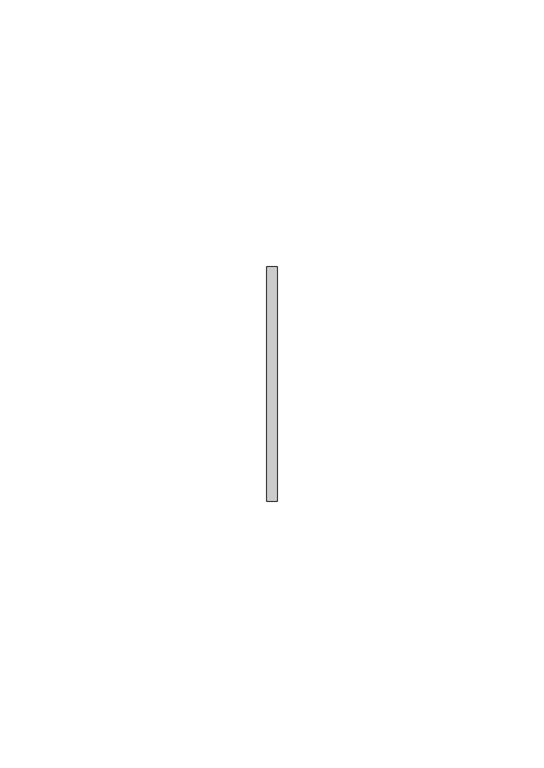
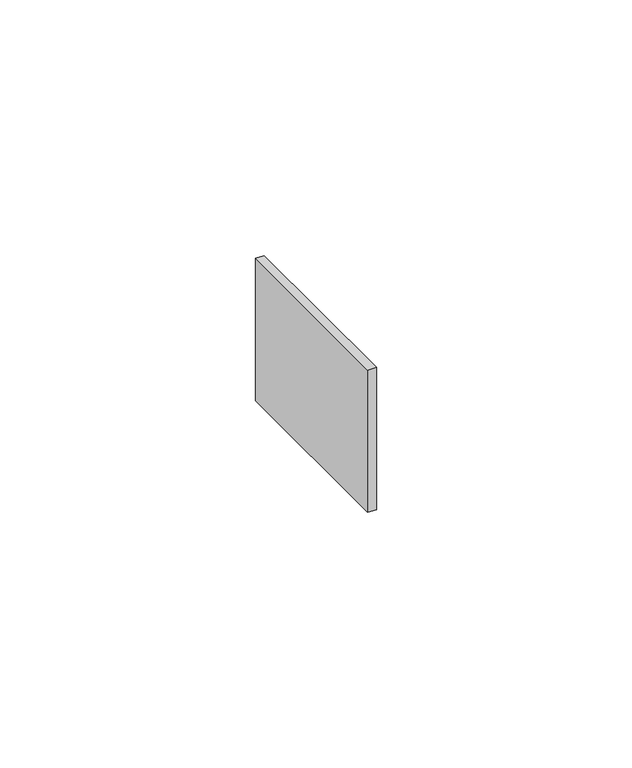
"""IFC4 building model written with IfcOpenShell, lengths in millimetres: member geometry."""

import ifcopenshell
import ifcopenshell.guid

model = None  # the IFC model being written
_history = None  # IfcOwnerHistory: only IFC2X3 demands one
_inside = {}  # id of a spatial element -> (the spatial element, [elements in it])
_under = {}  # id of a project, library or spatial element -> (it, [spatial elements below it])
_declared = {}  # id of a project -> (the project, [libraries it declares])
_typed = {}  # id of a type object -> (the type object, [elements of that type])
_made_of = {}  # id of a material, layer set ... -> (it, [elements and type objects made of it])


def new_model(schema):
    """Start an empty IFC model of exactly this schema.

    Asked for "IFC4X3", IfcOpenShell would pick the latest addendum, in which some entities
    have other attributes; the version numbers below select the first issue.
    IFC2X3 requires an IfcOwnerHistory on every rooted entity: one is made here for all.
    """
    global model, _history
    if schema == "IFC4X3":
        model = ifcopenshell.file(schema_version=(4, 3, 0, 0))
    else:
        model = ifcopenshell.file(schema=schema)
    _inside.clear()
    _under.clear()
    _declared.clear()
    _typed.clear()
    _made_of.clear()
    _history = None
    if model.schema == "IFC2X3":
        org = make("IfcOrganization", Name="unknown")
        user = make(
            "IfcPersonAndOrganization",
            ThePerson=make("IfcPerson", FamilyName="unknown"),
            TheOrganization=org,
        )
        app = make(
            "IfcApplication",
            ApplicationDeveloper=org,
            Version="unknown",
            ApplicationFullName="unknown",
            ApplicationIdentifier="unknown",
        )
        _history = make(
            "IfcOwnerHistory",
            OwningUser=user,
            OwningApplication=app,
            ChangeAction="ADDED",
            CreationDate=0,
        )
    return model


def make(cls, **values):
    """One entity of the class cls with the attributes given. An attribute that is None is left unset."""
    return model.create_entity(
        cls, **{name: value for name, value in values.items() if value is not None}
    )


def rooted(cls, **values):
    """An entity with a GlobalId (a new one), such as an element, a storey or a relation."""
    return make(cls, GlobalId=ifcopenshell.guid.new(), OwnerHistory=_history, **values)


def si_unit(unit_type, name, prefix=None):
    """IfcSIUnit, for example si_unit("LENGTHUNIT", "METRE", prefix="MILLI")."""
    return make("IfcSIUnit", UnitType=unit_type, Prefix=prefix, Name=name)


def assignment(units):
    """IfcUnitAssignment: the units of a project."""
    return None if units is None else make("IfcUnitAssignment", Units=units)


def point(xyz):
    """IfcCartesianPoint."""
    return None if xyz is None else make("IfcCartesianPoint", Coordinates=xyz)


def direction(xyz):
    """IfcDirection."""
    return None if xyz is None else make("IfcDirection", DirectionRatios=xyz)


def frame(location, z_axis=None, x_axis=None):
    """IfcAxis2Placement3D, a coordinate frame: its origin and axes. An axis left out is left unset."""
    return make(
        "IfcAxis2Placement3D",
        Location=point(location),
        Axis=direction(z_axis),
        RefDirection=direction(x_axis),
    )


def origin():
    """The frame at (0, 0, 0) with its axes left unset."""
    return frame((0.0, 0.0, 0.0))


def place(relative_to, where):
    """IfcLocalPlacement: puts the frame where relative to a parent placement (None: the world)."""
    return make(
        "IfcLocalPlacement", PlacementRelTo=relative_to, RelativePlacement=where
    )


def context(
    kind, dimensions, precision=None, world=None, true_north=None, identifier=None
):
    """IfcGeometricRepresentationContext, for example the 3D "Model" context."""
    return make(
        "IfcGeometricRepresentationContext",
        ContextIdentifier=identifier,
        ContextType=kind,
        CoordinateSpaceDimension=dimensions,
        Precision=precision,
        WorldCoordinateSystem=world,
        TrueNorth=true_north,
    )


def project(units=None, contexts=None):
    """IfcProject with its units and contexts."""
    return rooted(
        "IfcProject",
        Name="project",
        RepresentationContexts=contexts,
        UnitsInContext=assignment(units),
    )


def spatial(cls, under=None, at=None, **own):
    """A site, building, storey or space (cls), placed at a placement, below another one or the project."""
    s = rooted(cls, ObjectPlacement=at, **own)
    if under is not None:
        _under.setdefault(under.id(), (under, []))[1].append(s)
    return s


def polyline(points):
    """IfcPolyline through the points."""
    return make("IfcPolyline", Points=[point(p) for p in points])


def outline(outer, holes=None, kind="AREA"):
    """IfcArbitraryClosedProfileDef: a profile drawn as a closed curve; with holes, ...WithVoids."""
    if holes is None:
        return make("IfcArbitraryClosedProfileDef", ProfileType=kind, OuterCurve=outer)
    return make(
        "IfcArbitraryProfileDefWithVoids",
        ProfileType=kind,
        OuterCurve=outer,
        InnerCurves=holes,
    )


def extrude(swept, where, along, depth):
    """IfcExtrudedAreaSolid: the profile swept, set in the frame where, extruded along a direction by depth."""
    return make(
        "IfcExtrudedAreaSolid",
        SweptArea=swept,
        Position=where,
        ExtrudedDirection=direction(along),
        Depth=depth,
    )


def shape(context_of_items, identifier, shape_type, items):
    """IfcShapeRepresentation: the items that make up one representation, for example the "Body"."""
    return make(
        "IfcShapeRepresentation",
        ContextOfItems=context_of_items,
        RepresentationIdentifier=identifier,
        RepresentationType=shape_type,
        Items=items,
    )


def source(mapping_origin, context_of_items, identifier, shape_type, items):
    """IfcRepresentationMap: a shape defined once, which mapped items show again and again."""
    return make(
        "IfcRepresentationMap",
        MappingOrigin=mapping_origin,
        MappedRepresentation=shape(context_of_items, identifier, shape_type, items),
    )


def transform(
    local_origin,
    x_axis=None,
    y_axis=None,
    z_axis=None,
    scale=None,
    scale2=None,
    scale3=None,
    uniform=True,
):
    """IfcCartesianTransformationOperator3D, or its non-uniform kind. x_axis, y_axis, z_axis: its Axis1, 2, 3."""
    if uniform:
        return make(
            "IfcCartesianTransformationOperator3D",
            Axis1=direction(x_axis),
            Axis2=direction(y_axis),
            LocalOrigin=point(local_origin),
            Scale=scale,
            Axis3=direction(z_axis),
        )
    return make(
        "IfcCartesianTransformationOperator3DnonUniform",
        Axis1=direction(x_axis),
        Axis2=direction(y_axis),
        LocalOrigin=point(local_origin),
        Scale=scale,
        Axis3=direction(z_axis),
        Scale2=scale2,
        Scale3=scale3,
    )


def mapped(mapping_source, mapping_target):
    """IfcMappedItem: shows the shape of a source again, moved by a transform."""
    return make(
        "IfcMappedItem", MappingSource=mapping_source, MappingTarget=mapping_target
    )


def made_of(thing, what):
    """Note that an element or type object is made of a material, layer set ...; save() writes the relation."""
    if what is not None:
        _made_of.setdefault(what.id(), (what, []))[1].append(thing)
    return thing


def element(
    cls,
    number,
    at=None,
    inside=None,
    cuts=None,
    type_object=None,
    material=None,
    context=None,
    identifier="Body",
    shape_type=None,
    held_by="IfcProductDefinitionShape",
    body=None,
    shapes=None,
    **own,
):
    """One element of the class cls, such as IfcWall. Its Tag is "e" and its number.

    at: its placement. inside: the storey or other place that contains it. cuts: it is an
    opening in that element (IfcRelVoidsElement). A single representation is given by context,
    identifier, shape_type and body (its items); several are given by shapes. held_by: the class
    of the entity that holds the representations. save() writes the other relations.
    """
    e = rooted(cls, Tag="e%d" % number, ObjectPlacement=at, **own)
    if body is not None:
        shapes = [shape(context, identifier, shape_type, body)]
    if shapes is not None:
        e.Representation = make(held_by, Representations=shapes)
    if inside is not None:
        _inside.setdefault(inside.id(), (inside, []))[1].append(e)
    if cuts is not None:
        rooted(
            "IfcRelVoidsElement", RelatingBuildingElement=cuts, RelatedOpeningElement=e
        )
    if type_object is not None:
        _typed.setdefault(type_object.id(), (type_object, []))[1].append(e)
    return made_of(e, material)


def aggregate(whole, parts):
    """IfcRelAggregates: a whole, such as a stair, and the parts it consists of."""
    return rooted("IfcRelAggregates", RelatingObject=whole, RelatedObjects=parts)


def save(model, path):
    """Write the relations noted so far, then the file.

    IfcRelAggregates (storeys below a building ...), IfcRelContainedInSpatialStructure (elements
    in a storey), IfcRelDefinesByType, IfcRelAssociatesMaterial and IfcRelDeclares: one each for
    every whole, place, type object, material and project.
    """
    for whole, parts in _under.values():
        aggregate(whole, parts)
    for where, things in _inside.values():
        rooted(
            "IfcRelContainedInSpatialStructure",
            RelatedElements=things,
            RelatingStructure=where,
        )
    for kind, things in _typed.values():
        rooted("IfcRelDefinesByType", RelatedObjects=things, RelatingType=kind)
    for what, things in _made_of.values():
        rooted("IfcRelAssociatesMaterial", RelatedObjects=things, RelatingMaterial=what)
    for by, libraries in _declared.values():
        rooted("IfcRelDeclares", RelatingContext=by, RelatedDefinitions=libraries)
    model.write(path)


def member_d3ce9a7a(model_context):
    return source(origin(), model_context, "Body", "SweptSolid", [
        extrude(outline(polyline([(1.0, 22.0), (1.0, -22.0), (-1.0, -22.0), (-1.0, 22.0), (1.0, 22.0)])), frame((0.0, 0.0, -33.9999997), z_axis=(0.0, 0.0, 1.0), x_axis=(1.0, 0.0, 0.0)), (0.0, 0.0, 1.0), 33.9999997),
    ])


if __name__ == "__main__":
    model = new_model("IFC4")
    model_context = context("Model", 3, world=origin())
    ifc_project = project(units=[si_unit("LENGTHUNIT", "METRE", prefix="MILLI")], contexts=[model_context])
    site = spatial("IfcSite", under=ifc_project)
    building = spatial("IfcBuilding", under=site)
    placement = place(None, origin())
    member_shape = member_d3ce9a7a(model_context)
    element("IfcMember", 1, at=placement, inside=building, context=model_context, shape_type="MappedRepresentation", body=[
        mapped(member_shape, transform((0.0, 0.0, 0.0), x_axis=(1.0, 0.0, 0.0), y_axis=(0.0, 1.0, 0.0), z_axis=(0.0, 0.0, 1.0))),
    ])
    save(model, "model.ifc")
